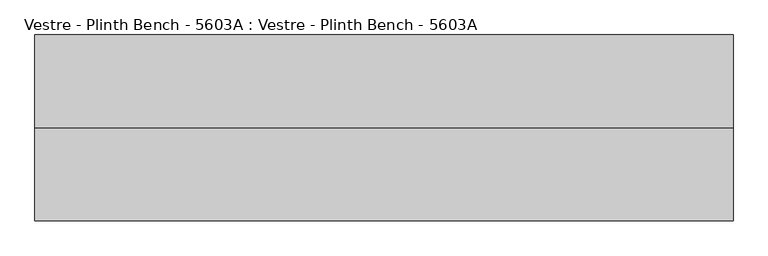
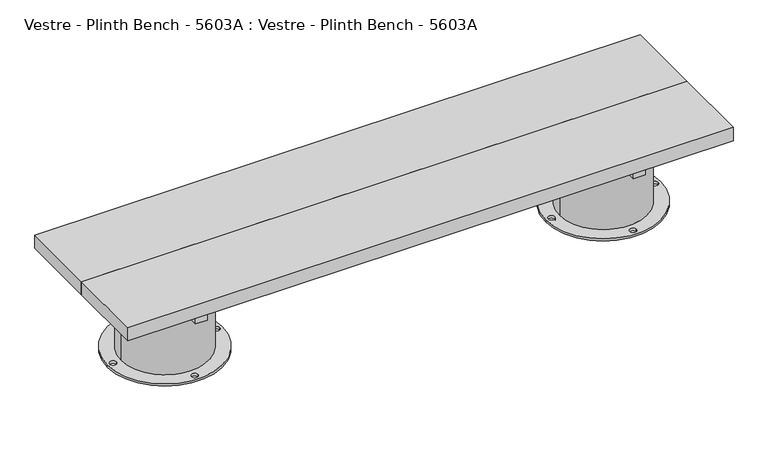
"""IFC4 building model written with IfcOpenShell, lengths in millimetres: furniture geometry, Vestre - Plinth Bench - 5603A : Vestre - Plinth Bench - 5603A."""

from ifc_helpers import new_model, si_unit, frame, origin, place, context, project, spatial, polyline, circle_curve, outline, extrude, source, transform, mapped, element, save
from ifc_brep_helpers import plane_surface, cylinder_surface, revolved_surface, advanced_brep


def vestre_plinth_bench_5603a_vestre_plinth_bench_5603a_ed844c74(model_context):
    return source(origin(), model_context, "Body", "SolidModel", [
        extrude(outline(polyline([(760.0005464, -17.4998463), (760.0005464, -219.9999989), (-760.0005464, -219.9999989), (-760.0005464, -17.4998463), (760.0005464, -17.4998463)])), frame((0.0, 0.0, 214.9999847), z_axis=(0.0, 0.0, 1.0), x_axis=(1.0, 0.0, 0.0)), (0.0, 0.0, 1.0), 35.0000153),
        extrude(outline(polyline([(565.4994536, -378.0001515), (535.4811401, -378.0001515), (535.4811401, -62.0001515), (565.4994536, -62.0001515), (565.4994536, -378.0001515)])), frame((0.0, 0.0, 164.9999847), z_axis=(0.0, 0.0, 1.0), x_axis=(1.0, 0.0, 0.0)), (0.0, 0.0, 1.0), 50.0),
        extrude(outline(polyline([(-535.4811401, -378.0001515), (-565.4994536, -378.0001515), (-565.4994536, -62.0001515), (-535.4811401, -62.0001515), (-535.4811401, -378.0001515)])), frame((0.0, 0.0, 164.9999847), z_axis=(0.0, 0.0, 1.0), x_axis=(1.0, 0.0, 0.0)), (0.0, 0.0, 1.0), 50.0),
        advanced_brep(
        [(-660.0830351, -219.9999989, 164.9999847), (-442.3211565, -237.5001515, 164.9999847), (-538.5005464, -237.5001515, 164.9999847), (-538.5005464, -202.4998463, 164.9999847), (-442.3211565, -202.4998463, 164.9999847), (-695.0290119, -219.9999989, 0.0), (-405.9688024, -219.9999989, 0.0), (-688.5005464, -219.9999989, 0.0), (-672.5005464, -219.9999989, 0.0), (-558.5005464, -90.0001458, 0.0), (-542.5005464, -90.0001458, 0.0), (-412.497268, -219.9999989, 0.0), (-428.497268, -219.9999989, 0.0), (-558.5005464, -349.9998521, 0.0), (-542.5005464, -349.9998521, 0.0), (-660.0830351, -219.9999989, 5.8600001), (-440.9147793, -219.9999989, 5.8600001), (-440.9147793, -219.9999989, 74.9999847), (-442.3211565, -237.5001515, 74.9999847), (-442.3211565, -202.4998463, 74.9999847), (-538.5005464, -237.5001515, 74.9999847), (-538.5005464, -202.4998463, 74.9999847), (-695.0290119, -219.9999989, 5.8600001), (-405.9688024, -219.9999989, 5.8600001), (-688.5005464, -219.9999989, 5.8600001), (-672.5005464, -219.9999989, 5.8600001), (-558.5005464, -90.0001458, 5.8600001), (-542.5005464, -90.0001458, 5.8600001), (-412.497268, -219.9999989, 5.8600001), (-428.497268, -219.9999989, 5.8600001), (-558.5005464, -349.9998521, 5.8600001), (-542.5005464, -349.9998521, 5.8600001)],
        [
            (0, 1, circle_curve(frame((-550.4989072, -219.9999989, 164.9999847), z_axis=(0.0, 0.0, 1.0), x_axis=(1.0, 0.0, 0.0)), 109.5841279)),
            (1, 2),
            (2, 3),
            (3, 4),
            (4, 0, circle_curve(frame((-550.4989072, -219.9999989, 164.9999847), z_axis=(0.0, 0.0, 1.0), x_axis=(1.0, 0.0, 0.0)), 109.5841279)),
            (5, 6, circle_curve(frame((-550.4989072, -219.9999989, 0.0), z_axis=(0.0, 0.0, -1.0), x_axis=(1.0, 0.0, 0.0)), 144.5301047)),
            (6, 5, circle_curve(frame((-550.4989072, -219.9999989, 0.0), z_axis=(0.0, 0.0, -1.0), x_axis=(1.0, 0.0, 0.0)), 144.5301047)),
            (7, 8, circle_curve(frame((-680.5005464, -219.9999989, 0.0), z_axis=(0.0, 0.0, 1.0), x_axis=(1.0, 0.0, 0.0)), 8.0)),
            (8, 7, circle_curve(frame((-680.5005464, -219.9999989, 0.0), z_axis=(0.0, 0.0, 1.0), x_axis=(1.0, 0.0, 0.0)), 8.0)),
            (9, 10, circle_curve(frame((-550.5005464, -90.0001458, 0.0), z_axis=(0.0, 0.0, 1.0), x_axis=(1.0, 0.0, 0.0)), 8.0)),
            (10, 9, circle_curve(frame((-550.5005464, -90.0001458, 0.0), z_axis=(0.0, 0.0, 1.0), x_axis=(1.0, 0.0, 0.0)), 8.0)),
            (11, 12, circle_curve(frame((-420.497268, -219.9999989, 0.0), z_axis=(0.0, 0.0, 1.0), x_axis=(-1.0, 0.0, 0.0)), 8.0)),
            (12, 11, circle_curve(frame((-420.497268, -219.9999989, 0.0), z_axis=(0.0, 0.0, 1.0), x_axis=(-1.0, 0.0, 0.0)), 8.0)),
            (13, 14, circle_curve(frame((-550.5005464, -349.9998521, 0.0), z_axis=(0.0, 0.0, 1.0), x_axis=(1.0, 0.0, 0.0)), 8.0)),
            (14, 13, circle_curve(frame((-550.5005464, -349.9998521, 0.0), z_axis=(0.0, 0.0, 1.0), x_axis=(1.0, 0.0, 0.0)), 8.0)),
            (0, 15),
            (15, 16, circle_curve(frame((-550.4989072, -219.9999989, 5.8600001), z_axis=(0.0, 0.0, 1.0), x_axis=(1.0, 0.0, 0.0)), 109.5841279)),
            (16, 17),
            (17, 18, circle_curve(frame((-550.4989072, -219.9999989, 74.9999847), z_axis=(0.0, 0.0, -1.0), x_axis=(1.0, 0.0, 0.0)), 109.5841279)),
            (18, 1),
            (4, 19),
            (19, 17, circle_curve(frame((-550.4989072, -219.9999989, 74.9999847), z_axis=(0.0, 0.0, -1.0), x_axis=(1.0, 0.0, 0.0)), 109.5841279)),
            (16, 15, circle_curve(frame((-550.4989072, -219.9999989, 5.8600001), z_axis=(0.0, 0.0, 1.0), x_axis=(1.0, 0.0, 0.0)), 109.5841279)),
            (20, 21),
            (21, 3),
            (2, 20),
            (20, 18),
            (19, 21),
            (22, 23, circle_curve(frame((-550.4989072, -219.9999989, 5.8600001), z_axis=(0.0, 0.0, 1.0), x_axis=(1.0, 0.0, 0.0)), 144.5301047)),
            (23, 22, circle_curve(frame((-550.4989072, -219.9999989, 5.8600001), z_axis=(0.0, 0.0, 1.0), x_axis=(1.0, 0.0, 0.0)), 144.5301047)),
            (24, 25, circle_curve(frame((-680.5005464, -219.9999989, 5.8600001), z_axis=(0.0, 0.0, -1.0), x_axis=(1.0, 0.0, 0.0)), 8.0)),
            (25, 24, circle_curve(frame((-680.5005464, -219.9999989, 5.8600001), z_axis=(0.0, 0.0, -1.0), x_axis=(1.0, 0.0, 0.0)), 8.0)),
            (26, 27, circle_curve(frame((-550.5005464, -90.0001458, 5.8600001), z_axis=(0.0, 0.0, -1.0), x_axis=(1.0, 0.0, 0.0)), 8.0)),
            (27, 26, circle_curve(frame((-550.5005464, -90.0001458, 5.8600001), z_axis=(0.0, 0.0, -1.0), x_axis=(1.0, 0.0, 0.0)), 8.0)),
            (28, 29, circle_curve(frame((-420.497268, -219.9999989, 5.8600001), z_axis=(0.0, 0.0, -1.0), x_axis=(-1.0, 0.0, 0.0)), 8.0)),
            (29, 28, circle_curve(frame((-420.497268, -219.9999989, 5.8600001), z_axis=(0.0, 0.0, -1.0), x_axis=(-1.0, 0.0, 0.0)), 8.0)),
            (30, 31, circle_curve(frame((-550.5005464, -349.9998521, 5.8600001), z_axis=(0.0, 0.0, -1.0), x_axis=(1.0, 0.0, 0.0)), 8.0)),
            (31, 30, circle_curve(frame((-550.5005464, -349.9998521, 5.8600001), z_axis=(0.0, 0.0, -1.0), x_axis=(1.0, 0.0, 0.0)), 8.0)),
            (22, 5),
            (6, 23),
            (24, 7),
            (8, 25),
            (26, 9),
            (10, 27),
            (28, 11),
            (12, 29),
            (30, 13),
            (14, 31),
        ],
        [
            plane_surface(frame((-440.9147793, -219.9999989, 164.9999847), z_axis=(0.0, 0.0, 1.0), x_axis=(0.0, 1.0, 0.0))),
            plane_surface(frame((-440.9147793, -219.9999989, 0.0), z_axis=(0.0, 0.0, -1.0), x_axis=(0.0, -1.0, 0.0))),
            cylinder_surface(frame((-550.4989072, -219.9999989, 0.0), z_axis=(0.0, 0.0, 1.0), x_axis=(1.0, 0.0, 0.0)), 109.5841279),
            plane_surface(frame((-538.5005464, -202.4998463, 74.9999847), z_axis=(1.0, 0.0, 0.0), x_axis=(0.0, -1.0, 0.0))),
            plane_surface(frame((-420.0, -237.5001515, 74.9999847), z_axis=(0.0, 0.0, 1.0), x_axis=(-1.0, 0.0, 0.0))),
            plane_surface(frame((-420.0, -202.4998463, 74.9999847), z_axis=(0.0, -1.0, 0.0), x_axis=(-1.0, 0.0, 0.0))),
            plane_surface(frame((-420.0, -237.5001515, 164.9999847), z_axis=(0.0, 1.0, 0.0), x_axis=(-1.0, 0.0, 0.0))),
            plane_surface(frame((-405.9688024, -219.9999989, 5.8600001), z_axis=(0.0, 0.0, 1.0), x_axis=(0.0, 1.0, 0.0))),
            cylinder_surface(frame((-550.4989072, -219.9999989, 0.0), z_axis=(0.0, 0.0, 1.0), x_axis=(1.0, 0.0, 0.0)), 144.5301047),
            revolved_surface(polyline([(-672.5005464, -219.9999989, 0.0), (-672.5005464, -219.9999989, 5.8600001)]), (-680.5005464, -219.9999989, 0.0), (0.0, 0.0, -1.0)),
            revolved_surface(polyline([(-542.5005464, -90.0001458, 0.0), (-542.5005464, -90.0001458, 5.8600001)]), (-550.5005464, -90.0001458, 0.0), (0.0, 0.0, -1.0)),
            revolved_surface(polyline([(-428.497268, -219.9999989, 0.0), (-428.497268, -219.9999989, 5.8600001)]), (-420.497268, -219.9999989, 0.0), (0.0, 0.0, -1.0)),
            revolved_surface(polyline([(-542.5005464, -349.9998521, 0.0), (-542.5005464, -349.9998521, 5.8600001)]), (-550.5005464, -349.9998521, 0.0), (0.0, 0.0, -1.0)),
        ],
        [
            (0, [[1, 2, 3, 4, 5]]),
            (1, [[6, 7], [8, 9], [10, 11], [12, 13], [14, 15]]),
            (2, [[-1, 16, 17, 18, 19, 20]]),
            (2, [[-5, 21, 22, -18, 23, -16]]),
            (3, [[24, 25, -3, 26]]),
            (4, [[-24, 27, -19, -22, 28]]),
            (5, [[-25, -28, -21, -4]]),
            (6, [[-26, -2, -20, -27]]),
            (7, [[29, 30], [-17, -23], [31, 32], [33, 34], [35, 36], [37, 38]]),
            (8, [[-29, 39, -7, 40]]),
            (8, [[-30, -40, -6, -39]]),
            (9, [[-31, 41, -9, 42]]),
            (9, [[-32, -42, -8, -41]]),
            (10, [[-33, 43, -11, 44]]),
            (10, [[-34, -44, -10, -43]]),
            (11, [[-35, 45, -13, 46]]),
            (11, [[-36, -46, -12, -45]]),
            (12, [[-37, 47, -15, 48]]),
            (12, [[-38, -48, -14, -47]]),
        ],
    ),
        advanced_brep(
        [(695.0290119, -219.9999989, 0.0), (405.9688024, -219.9999989, 0.0), (688.5005464, -219.9999989, 0.0), (672.5005464, -219.9999989, 0.0), (558.5005464, -90.0001458, 0.0), (542.5005464, -90.0001458, 0.0), (412.497268, -219.9999989, 0.0), (428.497268, -219.9999989, 0.0), (558.5005464, -349.9998521, 0.0), (542.5005464, -349.9998521, 0.0), (538.5005464, -237.5001515, 74.9999847), (538.5005464, -237.5001515, 164.9999847), (538.5005464, -202.4998463, 164.9999847), (538.5005464, -202.4998463, 74.9999847), (442.3211565, -202.4998463, 74.9999847), (440.9147793, -219.9999989, 74.9999847), (442.3211565, -237.5001515, 74.9999847), (442.3211565, -202.4998463, 164.9999847), (442.3211565, -237.5001515, 164.9999847), (695.0290119, -219.9999989, 5.8600001), (405.9688024, -219.9999989, 5.8600001), (688.5005464, -219.9999989, 5.8600001), (672.5005464, -219.9999989, 5.8600001), (558.5005464, -90.0001458, 5.8600001), (542.5005464, -90.0001458, 5.8600001), (412.497268, -219.9999989, 5.8600001), (428.497268, -219.9999989, 5.8600001), (558.5005464, -349.9998521, 5.8600001), (542.5005464, -349.9998521, 5.8600001), (660.0830351, -219.9999989, 5.8600001), (440.9147793, -219.9999989, 5.8600001), (660.0830351, -219.9999989, 164.9999847)],
        [
            (0, 1, circle_curve(frame((550.4989072, -219.9999989, 0.0), z_axis=(0.0, 0.0, -1.0), x_axis=(-1.0, 0.0, 0.0)), 144.5301047)),
            (1, 0, circle_curve(frame((550.4989072, -219.9999989, 0.0), z_axis=(0.0, 0.0, -1.0), x_axis=(-1.0, 0.0, 0.0)), 144.5301047)),
            (2, 3, circle_curve(frame((680.5005464, -219.9999989, 0.0), z_axis=(0.0, 0.0, 1.0), x_axis=(-1.0, 0.0, 0.0)), 8.0)),
            (3, 2, circle_curve(frame((680.5005464, -219.9999989, 0.0), z_axis=(0.0, 0.0, 1.0), x_axis=(-1.0, 0.0, 0.0)), 8.0)),
            (4, 5, circle_curve(frame((550.5005464, -90.0001458, 0.0), z_axis=(0.0, 0.0, 1.0), x_axis=(-1.0, 0.0, 0.0)), 8.0)),
            (5, 4, circle_curve(frame((550.5005464, -90.0001458, 0.0), z_axis=(0.0, 0.0, 1.0), x_axis=(-1.0, 0.0, 0.0)), 8.0)),
            (6, 7, circle_curve(frame((420.497268, -219.9999989, 0.0), z_axis=(0.0, 0.0, 1.0), x_axis=(1.0, 0.0, 0.0)), 8.0)),
            (7, 6, circle_curve(frame((420.497268, -219.9999989, 0.0), z_axis=(0.0, 0.0, 1.0), x_axis=(1.0, 0.0, 0.0)), 8.0)),
            (8, 9, circle_curve(frame((550.5005464, -349.9998521, 0.0), z_axis=(0.0, 0.0, 1.0), x_axis=(-1.0, 0.0, 0.0)), 8.0)),
            (9, 8, circle_curve(frame((550.5005464, -349.9998521, 0.0), z_axis=(0.0, 0.0, 1.0), x_axis=(-1.0, 0.0, 0.0)), 8.0)),
            (10, 11),
            (11, 12),
            (12, 13),
            (13, 10),
            (13, 14),
            (14, 15, circle_curve(frame((550.4989072, -219.9999989, 74.9999847), z_axis=(0.0, 0.0, 1.0), x_axis=(-1.0, 0.0, 0.0)), 109.5841279)),
            (15, 16, circle_curve(frame((550.4989072, -219.9999989, 74.9999847), z_axis=(0.0, 0.0, 1.0), x_axis=(-1.0, 0.0, 0.0)), 109.5841279)),
            (16, 10),
            (12, 17),
            (17, 14),
            (16, 18),
            (18, 11),
            (19, 20, circle_curve(frame((550.4989072, -219.9999989, 5.8600001), z_axis=(0.0, 0.0, 1.0), x_axis=(-1.0, 0.0, 0.0)), 144.5301047)),
            (20, 19, circle_curve(frame((550.4989072, -219.9999989, 5.8600001), z_axis=(0.0, 0.0, 1.0), x_axis=(-1.0, 0.0, 0.0)), 144.5301047)),
            (21, 22, circle_curve(frame((680.5005464, -219.9999989, 5.8600001), z_axis=(0.0, 0.0, -1.0), x_axis=(-1.0, 0.0, 0.0)), 8.0)),
            (22, 21, circle_curve(frame((680.5005464, -219.9999989, 5.8600001), z_axis=(0.0, 0.0, -1.0), x_axis=(-1.0, 0.0, 0.0)), 8.0)),
            (23, 24, circle_curve(frame((550.5005464, -90.0001458, 5.8600001), z_axis=(0.0, 0.0, -1.0), x_axis=(-1.0, 0.0, 0.0)), 8.0)),
            (24, 23, circle_curve(frame((550.5005464, -90.0001458, 5.8600001), z_axis=(0.0, 0.0, -1.0), x_axis=(-1.0, 0.0, 0.0)), 8.0)),
            (25, 26, circle_curve(frame((420.497268, -219.9999989, 5.8600001), z_axis=(0.0, 0.0, -1.0), x_axis=(1.0, 0.0, 0.0)), 8.0)),
            (26, 25, circle_curve(frame((420.497268, -219.9999989, 5.8600001), z_axis=(0.0, 0.0, -1.0), x_axis=(1.0, 0.0, 0.0)), 8.0)),
            (27, 28, circle_curve(frame((550.5005464, -349.9998521, 5.8600001), z_axis=(0.0, 0.0, -1.0), x_axis=(-1.0, 0.0, 0.0)), 8.0)),
            (28, 27, circle_curve(frame((550.5005464, -349.9998521, 5.8600001), z_axis=(0.0, 0.0, -1.0), x_axis=(-1.0, 0.0, 0.0)), 8.0)),
            (29, 30, circle_curve(frame((550.4989072, -219.9999989, 5.8600001), z_axis=(0.0, 0.0, -1.0), x_axis=(-1.0, 0.0, 0.0)), 109.5841279)),
            (30, 29, circle_curve(frame((550.4989072, -219.9999989, 5.8600001), z_axis=(0.0, 0.0, -1.0), x_axis=(-1.0, 0.0, 0.0)), 109.5841279)),
            (19, 0),
            (1, 20),
            (21, 2),
            (3, 22),
            (23, 4),
            (5, 24),
            (25, 6),
            (7, 26),
            (27, 8),
            (9, 28),
            (31, 17, circle_curve(frame((550.4989072, -219.9999989, 164.9999847), z_axis=(0.0, 0.0, 1.0), x_axis=(-1.0, 0.0, 0.0)), 109.5841279)),
            (18, 31, circle_curve(frame((550.4989072, -219.9999989, 164.9999847), z_axis=(0.0, 0.0, 1.0), x_axis=(-1.0, 0.0, 0.0)), 109.5841279)),
            (15, 30),
            (29, 31),
        ],
        [
            plane_surface(frame((-440.9147793, -219.9999989, 0.0), z_axis=(0.0, 0.0, -1.0), x_axis=(0.0, -1.0, 0.0))),
            plane_surface(frame((538.5005464, -237.5001515, 74.9999847), z_axis=(-1.0, 0.0, 0.0), x_axis=(0.0, 0.0, -1.0))),
            plane_surface(frame((420.0, -202.4998463, 74.9999847), z_axis=(0.0, 0.0, 1.0), x_axis=(1.0, 0.0, 0.0))),
            plane_surface(frame((420.0, -202.4998463, 164.9999847), z_axis=(0.0, -1.0, 0.0), x_axis=(1.0, 0.0, 0.0))),
            plane_surface(frame((420.0, -237.5001515, 74.9999847), z_axis=(0.0, 1.0, 0.0), x_axis=(1.0, 0.0, 0.0))),
            plane_surface(frame((-405.9688024, -219.9999989, 5.8600001), z_axis=(0.0, 0.0, 1.0), x_axis=(0.0, 1.0, 0.0))),
            cylinder_surface(frame((550.4989072, -219.9999989, 0.0), z_axis=(0.0, 0.0, 1.0), x_axis=(-1.0, 0.0, 0.0)), 144.5301047),
            revolved_surface(polyline([(672.5005464, -219.9999989, 0.0), (672.5005464, -219.9999989, 5.8600001)]), (680.5005464, -219.9999989, 0.0), (0.0, 0.0, -1.0)),
            revolved_surface(polyline([(542.5005464, -90.0001458, 0.0), (542.5005464, -90.0001458, 5.8600001)]), (550.5005464, -90.0001458, 0.0), (0.0, 0.0, -1.0)),
            revolved_surface(polyline([(428.497268, -219.9999989, 0.0), (428.497268, -219.9999989, 5.8600001)]), (420.497268, -219.9999989, 0.0), (0.0, 0.0, -1.0)),
            revolved_surface(polyline([(542.5005464, -349.9998521, 0.0), (542.5005464, -349.9998521, 5.8600001)]), (550.5005464, -349.9998521, 0.0), (0.0, 0.0, -1.0)),
            plane_surface(frame((440.9147793, -219.9999989, 164.9999847), z_axis=(0.0, 0.0, 1.0), x_axis=(0.0, -1.0, 0.0))),
            cylinder_surface(frame((550.4989072, -219.9999989, 0.0), z_axis=(0.0, 0.0, 1.0), x_axis=(-1.0, 0.0, 0.0)), 109.5841279),
        ],
        [
            (0, [[1, 2], [3, 4], [5, 6], [7, 8], [9, 10]]),
            (1, [[11, 12, 13, 14]]),
            (2, [[-14, 15, 16, 17, 18]]),
            (3, [[-13, 19, 20, -15]]),
            (4, [[-11, -18, 21, 22]]),
            (5, [[23, 24], [25, 26], [27, 28], [29, 30], [31, 32], [33, 34]]),
            (6, [[-23, 35, -2, 36]]),
            (6, [[-24, -36, -1, -35]]),
            (7, [[-25, 37, -4, 38]]),
            (7, [[-26, -38, -3, -37]]),
            (8, [[-27, 39, -6, 40]]),
            (8, [[-28, -40, -5, -39]]),
            (9, [[-29, 41, -8, 42]]),
            (9, [[-30, -42, -7, -41]]),
            (10, [[-31, 43, -10, 44]]),
            (10, [[-32, -44, -9, -43]]),
            (11, [[45, -19, -12, -22, 46]]),
            (12, [[-46, -21, -17, 47, -33, 48]]),
            (12, [[-45, -48, -34, -47, -16, -20]]),
        ],
    ),
        extrude(outline(polyline([(538.5005464, -202.4998463), (538.5005464, -237.5001515), (-538.5005464, -237.5001515), (-538.5005464, -202.4998463), (538.5005464, -202.4998463)])), frame((0.0, 0.0, 74.9999847), z_axis=(0.0, 0.0, 1.0), x_axis=(1.0, 0.0, 0.0)), (0.0, 0.0, 1.0), 90.0),
        extrude(outline(polyline([(760.0005464, -219.9999989), (760.0005464, -422.5001515), (-760.0005464, -422.5001515), (-760.0005464, -219.9999989), (760.0005464, -219.9999989)])), frame((0.0, 0.0, 214.9999847), z_axis=(0.0, 0.0, 1.0), x_axis=(1.0, 0.0, 0.0)), (0.0, 0.0, 1.0), 35.0000153),
    ])


if __name__ == "__main__":
    model = new_model("IFC4")
    model_context = context("Model", 3, world=origin())
    ifc_project = project(units=[si_unit("LENGTHUNIT", "METRE", prefix="MILLI")], contexts=[model_context])
    site = spatial("IfcSite", under=ifc_project)
    building = spatial("IfcBuilding", under=site)
    placement = place(None, origin())
    vestre_plinth_bench_5603a_vestre_plinth_bench_5603a_shape = vestre_plinth_bench_5603a_vestre_plinth_bench_5603a_ed844c74(model_context)
    element("IfcFurniture", 1, ObjectType="Vestre - Plinth Bench - 5603A : Vestre - Plinth Bench - 5603A", at=placement, inside=building, context=model_context, shape_type="MappedRepresentation", body=[
        mapped(vestre_plinth_bench_5603a_vestre_plinth_bench_5603a_shape, transform((0.0, 0.0, 0.0), x_axis=(1.0, 0.0, 0.0), y_axis=(0.0, 1.0, 0.0), z_axis=(0.0, 0.0, 1.0))),
    ])
    save(model, "model.ifc")
